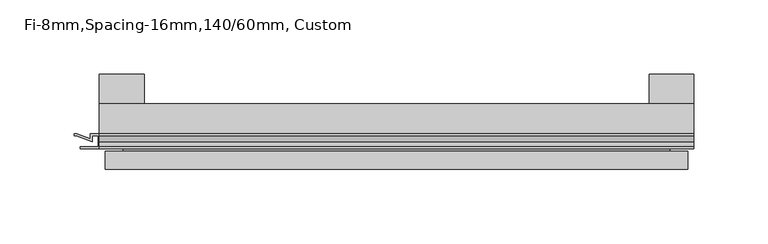
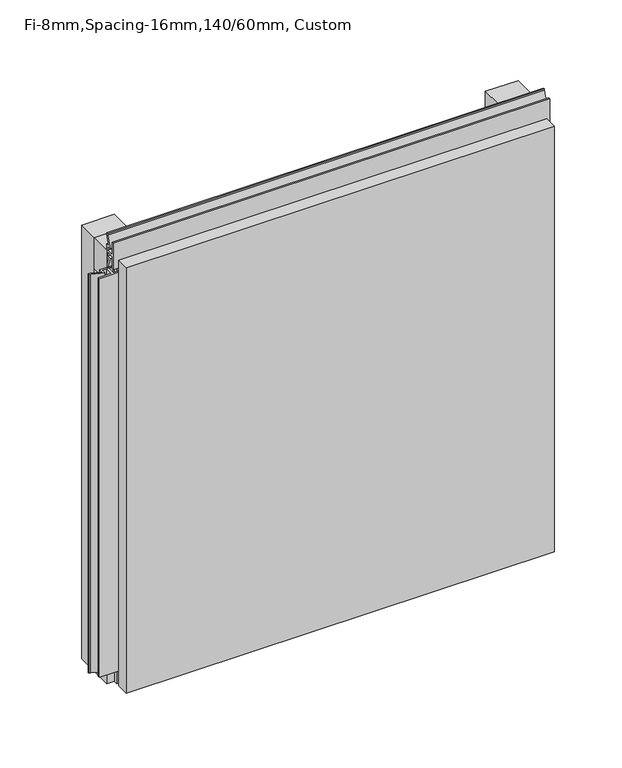
"""IFC4 building model written with IfcOpenShell, lengths in millimetres: plate geometry, Fi-8mm,Spacing-16mm,140/60mm, Custom."""

from ifc_helpers import new_model, si_unit, frame, origin, origin_with_axes, place, context, project, spatial, polyline, outline, extrude, faceted_brep, source, transform, mapped, element, save


def fi_8mm_spacing_16mm_140_60mm_custom_4a220158(model_context):
    return source(origin(), model_context, "Body", "SolidModel", [
        extrude(outline(polyline([(-200.0, -40.0), (-200.0, -20.0), (200.0, -20.0), (200.0, -40.0), (-200.0, -40.0)])), frame((0.0, 0.0, 390.0), z_axis=(0.0, 0.0, 1.0), x_axis=(1.0, 0.0, 0.0)), (0.0, 0.0, 1.0), 30.0),
        extrude(outline(polyline([(-200.0, -40.0), (-200.0, -20.0), (200.0, -20.0), (200.0, -40.0), (-200.0, -40.0)])), origin_with_axes(), (0.0, 0.0, 1.0), 30.0),
        extrude(outline(polyline([(170.0, 0.0), (200.0, 0.0), (200.0, -20.0), (170.0, -20.0), (170.0, 0.0)])), origin_with_axes(), (0.0, 0.0, 1.0), 420.0),
        extrude(outline(polyline([(-170.0, 0.0), (-170.0, -20.0), (-200.0, -20.0), (-200.0, 0.0), (-170.0, 0.0)])), origin_with_axes(), (0.0, 0.0, 1.0), 420.0),
        extrude(outline(polyline([(-200.899084, -48.7), (-200.899084, -41.4), (-204.899084, -41.4), (-204.899084, -45.5140545), (-215.5703394, -41.4553267), (-216.9558599, -41.4553267), (-216.9558599, -40.0553267), (-215.3558599, -40.0553267), (-206.299084, -43.5), (-206.299084, -40.0), (-193.700916, -40.0), (-193.700916, -43.5), (-184.6441401, -40.0553267), (-183.0441401, -40.0553267), (-183.0441401, -41.4553267), (-184.4296606, -41.4553267), (-195.100916, -45.5140545), (-195.100916, -41.4), (-199.100916, -41.4), (-199.100916, -48.7), (-187.100916, -48.7), (-187.100916, -50.1), (-212.899084, -50.1), (-212.899084, -48.7), (-200.899084, -48.7)])), frame((0.0, 0.0, 16.9558599), z_axis=(0.0, 0.0, 1.0), x_axis=(1.0, 0.0, 0.0)), (0.0, 0.0, 1.0), 386.0882802),
        extrude(outline(polyline([(-48.7, 420.899084), (-41.4, 420.899084), (-41.4, 424.899084), (-45.5140545, 424.899084), (-41.4553267, 435.5703394), (-41.4553267, 436.9558599), (-40.0553267, 436.9558599), (-40.0553267, 435.3558599), (-43.5, 426.299084), (-40.0, 426.299084), (-40.0, 413.700916), (-43.5, 413.700916), (-40.0553267, 404.6441401), (-40.0553267, 403.0441401), (-41.4553267, 403.0441401), (-41.4553267, 404.4296606), (-45.5140545, 415.100916), (-41.4, 415.100916), (-41.4, 419.100916), (-48.7, 419.100916), (-48.7, 407.100916), (-50.1, 407.100916), (-50.1, 432.899084), (-48.7, 432.899084), (-48.7, 420.899084)])), frame((-200.0, 0.0, 0.0), z_axis=(1.0, 0.0, 0.0), x_axis=(0.0, 1.0, 0.0)), (0.0, 0.0, 1.0), 400.0),
        faceted_brep([(196.0, -45.9, 416.0), (-196.0, -45.9, 416.0), (-196.0, -48.7, 416.0), (196.0, -48.7, 416.0), (-196.0, -63.9, 416.0), (196.0, -63.9, 416.0), (196.0, -51.9, 416.0), (-196.0, -51.9, 416.0), (-196.0, -45.9, 4.0), (196.0, -45.9, 4.0), (196.0, -48.7, 4.0), (-196.0, -48.7, 4.0), (196.0, -63.9, 4.0), (-196.0, -63.9, 4.0), (-196.0, -51.9, 4.0), (196.0, -51.9, 4.0), (184.0, -51.9, 404.0), (184.0, -51.9, 16.0), (184.0, -48.7, 16.0), (184.0, -48.7, 404.0), (-184.0, -51.9, 16.0), (-184.0, -48.7, 16.0), (-184.0, -51.9, 404.0), (-184.0, -48.7, 404.0)], [[[0, 1, 2, 3]], [[4, 5, 6, 7]], [[8, 9, 10, 11]], [[12, 13, 14, 15]], [[1, 0, 9, 8]], [[1, 8, 11, 2]], [[13, 4, 7, 14]], [[5, 4, 13, 12]], [[9, 0, 3, 10]], [[5, 12, 15, 6]], [[16, 17, 18, 19]], [[18, 17, 20, 21]], [[21, 20, 22, 23]], [[16, 19, 23, 22]], [[7, 6, 15, 14], [17, 16, 22, 20]], [[3, 2, 11, 10], [19, 18, 21, 23]]]),
    ])


if __name__ == "__main__":
    model = new_model("IFC4")
    model_context = context("Model", 3, world=origin())
    ifc_project = project(units=[si_unit("LENGTHUNIT", "METRE", prefix="MILLI")], contexts=[model_context])
    site = spatial("IfcSite", under=ifc_project)
    building = spatial("IfcBuilding", under=site)
    placement = place(None, origin())
    fi_8mm_spacing_16mm_140_60mm_custom_shape = fi_8mm_spacing_16mm_140_60mm_custom_4a220158(model_context)
    element("IfcPlate", 1, ObjectType="Fi-8mm,Spacing-16mm,140/60mm, Custom", at=placement, inside=building, context=model_context, shape_type="MappedRepresentation", body=[
        mapped(fi_8mm_spacing_16mm_140_60mm_custom_shape, transform((0.0, 0.0, 0.0), x_axis=(1.0, 0.0, 0.0), y_axis=(0.0, 1.0, 0.0), z_axis=(0.0, 0.0, 1.0))),
    ])
    save(model, "model.ifc")
